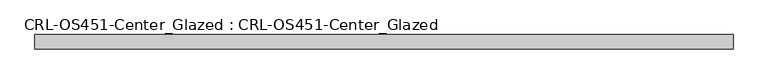
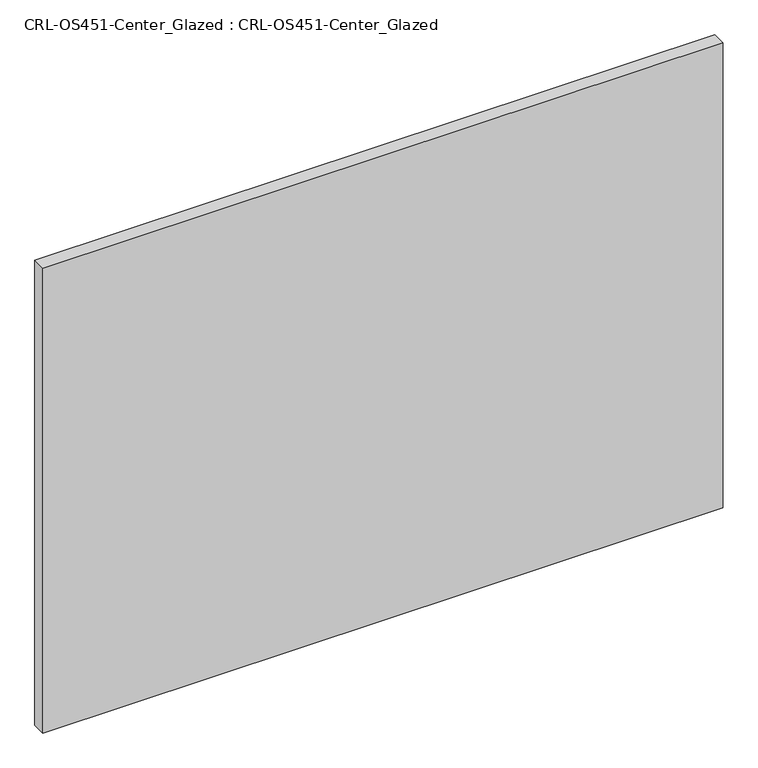
"""IFC4 building model written with IfcOpenShell, lengths in millimetres: plate geometry, CRL-OS451-Center_Glazed : CRL-OS451-Center_Glazed."""

from ifc_helpers import new_model, si_unit, origin, origin_with_axes, place, context, project, spatial, polyline, outline, extrude, source, transform, mapped, element, save


def crl_os451_center_glazed_crl_os451_center_glazed_c65e22b4(model_context):
    return source(origin(), model_context, "Body", "SweptSolid", [
        extrude(outline(polyline([(-618.1222065, 12.709956), (618.1222065, 12.709956), (618.1222065, -12.709956), (-618.1222065, -12.709956), (-618.1222065, 12.709956)])), origin_with_axes(), (0.0, 0.0, 1.0), 893.4410342),
    ])


if __name__ == "__main__":
    model = new_model("IFC4")
    model_context = context("Model", 3, world=origin())
    ifc_project = project(units=[si_unit("LENGTHUNIT", "METRE", prefix="MILLI")], contexts=[model_context])
    site = spatial("IfcSite", under=ifc_project)
    building = spatial("IfcBuilding", under=site)
    placement = place(None, origin())
    crl_os451_center_glazed_crl_os451_center_glazed_shape = crl_os451_center_glazed_crl_os451_center_glazed_c65e22b4(model_context)
    element("IfcPlate", 1, ObjectType="CRL-OS451-Center_Glazed : CRL-OS451-Center_Glazed", at=placement, inside=building, context=model_context, shape_type="MappedRepresentation", body=[
        mapped(crl_os451_center_glazed_crl_os451_center_glazed_shape, transform((0.0, 0.0, 0.0), x_axis=(1.0, 0.0, 0.0), y_axis=(0.0, 1.0, 0.0), z_axis=(0.0, 0.0, 1.0))),
    ])
    save(model, "model.ifc")
